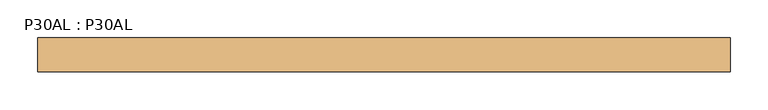
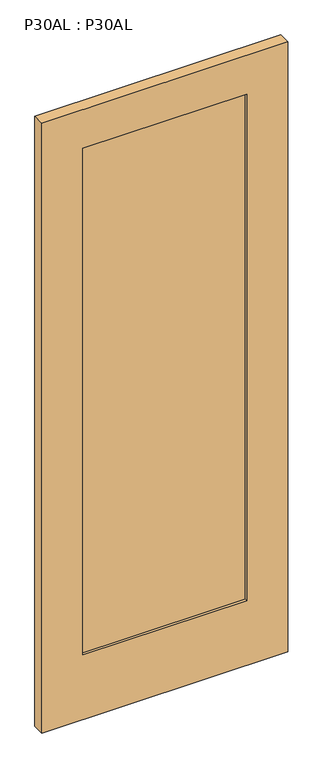
"""IFC4 building model written with IfcOpenShell, lengths in millimetres: door geometry, P30AL : P30AL."""

from ifc_helpers import new_model, si_unit, frame, origin, place, context, project, spatial, polyline, outline, extrude, source, transform, mapped, element, save


def p30al_p30al_424cd6e0(model_context):
    return source(origin(), model_context, "Body", "SweptSolid", [
        extrude(outline(polyline([(2413.0, 0.0), (15.875, 0.0), (15.875, 914.4), (2413.0, 914.4), (2413.0, 0.0)]), holes=[polyline([(2260.6, 152.4), (2260.6, 762.0), (269.875, 762.0), (269.875, 152.4), (2260.6, 152.4)])]), frame((0.0, -44.45, 0.0), z_axis=(0.0, 1.0, 0.0), x_axis=(0.0, 0.0, 1.0)), (0.0, 0.0, 1.0), 44.45),
        extrude(outline(polyline([(152.4, -9.525), (762.0, -9.525), (762.0, -34.925), (152.4, -34.925), (152.4, -9.525)])), frame((0.0, 0.0, 269.875), z_axis=(0.0, 0.0, 1.0), x_axis=(1.0, 0.0, 0.0)), (0.0, 0.0, 1.0), 1990.725),
    ])


if __name__ == "__main__":
    model = new_model("IFC4")
    model_context = context("Model", 3, world=origin())
    ifc_project = project(units=[si_unit("LENGTHUNIT", "METRE", prefix="MILLI")], contexts=[model_context])
    site = spatial("IfcSite", under=ifc_project)
    building = spatial("IfcBuilding", under=site)
    placement = place(None, origin())
    p30al_p30al_shape = p30al_p30al_424cd6e0(model_context)
    element("IfcDoor", 1, ObjectType="P30AL : P30AL", at=placement, inside=building, context=model_context, shape_type="MappedRepresentation", body=[
        mapped(p30al_p30al_shape, transform((0.0, 0.0, 0.0), x_axis=(1.0, 0.0, 0.0), y_axis=(0.0, 1.0, 0.0), z_axis=(0.0, 0.0, 1.0))),
    ])
    save(model, "model.ifc")
